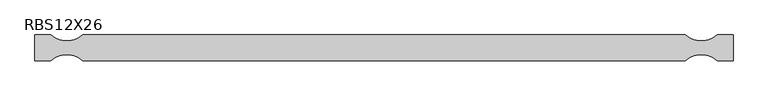
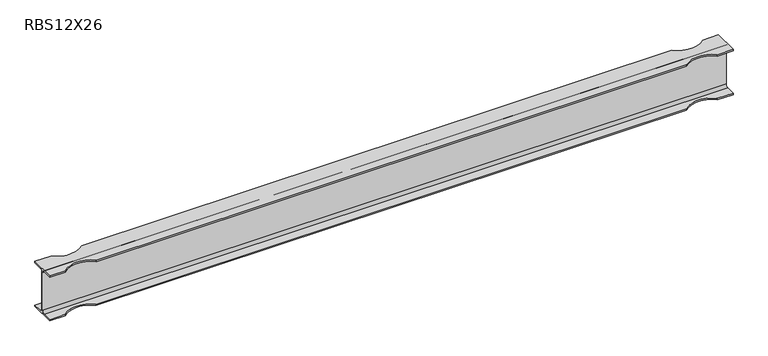
"""IFC4 building model written with IfcOpenShell, lengths in millimetres: beam geometry, RBS12X26."""

from ifc_helpers import new_model, si_unit, frame, origin, place, context, project, spatial, polyline, circle_curve, source, transform, mapped, element, save
from ifc_brep_helpers import plane_surface, revolved_surface, advanced_brep


def rbs12x26_84fb3f79(model_context):
    return source(origin(), model_context, "Body", "AdvancedBrep", [
        advanced_brep(
        [(2324.1, 82.4011719, -145.5539063), (2324.1, 20.2902344, -145.5539063), (2324.1, 2.9269531, -128.190625), (2324.1, 2.9269531, 128.190625), (2324.1, 20.2902344, 145.5539062), (2324.1, 82.4011719, 145.5539062), (2324.1, 82.4011719, 155.178125), (2324.1, -82.4011719, 155.178125), (2324.1, -82.4011719, 145.5539062), (2324.1, -20.2902344, 145.5539062), (2324.1, -2.9269531, 128.190625), (2324.1, -2.9269531, -128.190625), (2324.1, -20.2902344, -145.5539063), (2324.1, -82.4011719, -145.5539063), (2324.1, -82.4011719, -155.178125), (2324.1, 82.4011719, -155.178125), (-2120.9, 82.4011719, -145.5539063), (-2120.9, 82.4011719, -155.178125), (-2120.9, -82.4011719, -155.178125), (-2120.9, -82.4011719, -145.5539063), (-2120.9, -20.2902344, -145.5539063), (-2120.9, -2.9269531, -128.190625), (-2120.9, -2.9269531, 128.190625), (-2120.9, -20.2902344, 145.5539062), (-2120.9, -82.4011719, 145.5539062), (-2120.9, -82.4011719, 155.178125), (-2120.9, 82.4011719, 155.178125), (-2120.9, 82.4011719, 145.5539062), (-2120.9, 20.2902344, 145.5539062), (-2120.9, 2.9269531, 128.190625), (-2120.9, 2.9269531, -128.190625), (-2120.9, 20.2902344, -145.5539063), (2222.5, 82.4011719, -145.5539063), (2019.3, 82.4011719, -145.5539063), (-1816.1, 82.4011719, -145.5539063), (-2019.3, 82.4011719, -145.5539063), (-2019.3, 82.4011719, 145.5539062), (-1816.1, 82.4011719, 145.5539062), (2019.3, 82.4011719, 145.5539062), (2222.5, 82.4011719, 145.5539062), (2222.5, 82.4011719, 155.178125), (-2019.3, 82.4011719, 155.178125), (-1816.1, 82.4011719, 155.178125), (2019.3, 82.4011719, 155.178125), (-2019.3, -82.4011719, 155.178125), (-1816.1, -82.4011719, 155.178125), (2019.3, -82.4011719, 155.178125), (2222.5, -82.4011719, 155.178125), (2222.5, -82.4011719, 145.5539062), (-2019.3, -82.4011719, 145.5539062), (-1816.1, -82.4011719, 145.5539062), (2019.3, -82.4011719, 145.5539062), (-2019.3, -82.4011719, -145.5539063), (-1816.1, -82.4011719, -145.5539063), (2019.3, -82.4011719, -145.5539063), (2222.5, -82.4011719, -145.5539063), (2222.5, -82.4011719, -155.178125), (-2019.3, -82.4011719, -155.178125), (-1816.1, -82.4011719, -155.178125), (2019.3, -82.4011719, -155.178125), (-2019.3, 82.4011719, -155.178125), (-1816.1, 82.4011719, -155.178125), (2019.3, 82.4011719, -155.178125), (2222.5, 82.4011719, -155.178125)],
        [
            (0, 1),
            (1, 2, circle_curve(frame((2324.1, 20.2902344, -128.190625), z_axis=(-1.0, 0.0, 0.0), x_axis=(0.0, -1.0, 0.0)), 17.3632812)),
            (2, 3),
            (3, 4, circle_curve(frame((2324.1, 20.2902344, 128.190625), z_axis=(-1.0, 0.0, 0.0), x_axis=(0.0, -1.0, 0.0)), 17.3632812)),
            (4, 5),
            (5, 6),
            (6, 7),
            (7, 8),
            (8, 9),
            (9, 10, circle_curve(frame((2324.1, -20.2902344, 128.190625), z_axis=(-1.0, 0.0, 0.0), x_axis=(0.0, -1.0, 0.0)), 17.3632812)),
            (10, 11),
            (11, 12, circle_curve(frame((2324.1, -20.2902344, -128.190625), z_axis=(-1.0, 0.0, 0.0), x_axis=(0.0, -1.0, 0.0)), 17.3632812)),
            (12, 13),
            (13, 14),
            (14, 15),
            (15, 0),
            (16, 17),
            (17, 18),
            (18, 19),
            (19, 20),
            (20, 21, circle_curve(frame((-2120.9, -20.2902344, -128.190625), z_axis=(1.0, 0.0, 0.0), x_axis=(0.0, -1.0, 0.0)), 17.3632812)),
            (21, 22),
            (22, 23, circle_curve(frame((-2120.9, -20.2902344, 128.190625), z_axis=(1.0, 0.0, 0.0), x_axis=(0.0, -1.0, 0.0)), 17.3632812)),
            (23, 24),
            (24, 25),
            (25, 26),
            (26, 27),
            (27, 28),
            (28, 29, circle_curve(frame((-2120.9, 20.2902344, 128.190625), z_axis=(1.0, 0.0, 0.0), x_axis=(0.0, -1.0, 0.0)), 17.3632812)),
            (29, 30),
            (30, 31, circle_curve(frame((-2120.9, 20.2902344, -128.190625), z_axis=(1.0, 0.0, 0.0), x_axis=(0.0, -1.0, 0.0)), 17.3632812)),
            (31, 16),
            (0, 32),
            (32, 33, circle_curve(frame((2120.9, 195.9934251, -145.5539063), z_axis=(0.0, 0.0, -1.0), x_axis=(0.0, 1.0, 0.0)), 152.4)),
            (33, 34),
            (34, 35, circle_curve(frame((-1917.7, 195.9934251, -145.5539063), z_axis=(0.0, 0.0, -1.0), x_axis=(0.0, 1.0, 0.0)), 152.4)),
            (35, 16),
            (31, 1),
            (30, 2),
            (29, 3),
            (28, 4),
            (27, 36),
            (36, 37, circle_curve(frame((-1917.7, 195.9934251, 145.5539062), z_axis=(0.0, 0.0, 1.0), x_axis=(0.0, 1.0, 0.0)), 152.4)),
            (37, 38),
            (38, 39, circle_curve(frame((2120.9, 195.9934251, 145.5539062), z_axis=(0.0, 0.0, 1.0), x_axis=(0.0, 1.0, 0.0)), 152.4)),
            (39, 5),
            (39, 40),
            (40, 6),
            (26, 41),
            (41, 36),
            (37, 42),
            (42, 43),
            (43, 38),
            (40, 43, circle_curve(frame((2120.9, 195.9934251, 155.178125), z_axis=(0.0, 0.0, -1.0), x_axis=(0.0, 1.0, 0.0)), 152.4)),
            (42, 41, circle_curve(frame((-1917.7, 195.9934251, 155.178125), z_axis=(0.0, 0.0, -1.0), x_axis=(0.0, 1.0, 0.0)), 152.4)),
            (25, 44),
            (44, 45, circle_curve(frame((-1917.7, -195.9934251, 155.178125), z_axis=(0.0, 0.0, -1.0), x_axis=(0.0, 1.0, 0.0)), 152.4)),
            (45, 46),
            (46, 47, circle_curve(frame((2120.9, -195.9934251, 155.178125), z_axis=(0.0, 0.0, -1.0), x_axis=(0.0, 1.0, 0.0)), 152.4)),
            (47, 7),
            (47, 48),
            (48, 8),
            (24, 49),
            (49, 44),
            (45, 50),
            (50, 51),
            (51, 46),
            (48, 51, circle_curve(frame((2120.9, -195.9934251, 145.5539062), z_axis=(0.0, 0.0, 1.0), x_axis=(0.0, 1.0, 0.0)), 152.4)),
            (50, 49, circle_curve(frame((-1917.7, -195.9934251, 145.5539062), z_axis=(0.0, 0.0, 1.0), x_axis=(0.0, 1.0, 0.0)), 152.4)),
            (23, 9),
            (22, 10),
            (21, 11),
            (20, 12),
            (19, 52),
            (52, 53, circle_curve(frame((-1917.7, -195.9934251, -145.5539063), z_axis=(0.0, 0.0, -1.0), x_axis=(0.0, 1.0, 0.0)), 152.4)),
            (53, 54),
            (54, 55, circle_curve(frame((2120.9, -195.9934251, -145.5539063), z_axis=(0.0, 0.0, -1.0), x_axis=(0.0, 1.0, 0.0)), 152.4)),
            (55, 13),
            (55, 56),
            (56, 14),
            (18, 57),
            (57, 52),
            (53, 58),
            (58, 59),
            (59, 54),
            (56, 59, circle_curve(frame((2120.9, -195.9934251, -155.178125), z_axis=(0.0, 0.0, 1.0), x_axis=(0.0, 1.0, 0.0)), 152.4)),
            (58, 57, circle_curve(frame((-1917.7, -195.9934251, -155.178125), z_axis=(0.0, 0.0, 1.0), x_axis=(0.0, 1.0, 0.0)), 152.4)),
            (17, 60),
            (60, 61, circle_curve(frame((-1917.7, 195.9934251, -155.178125), z_axis=(0.0, 0.0, 1.0), x_axis=(0.0, 1.0, 0.0)), 152.4)),
            (61, 62),
            (62, 63, circle_curve(frame((2120.9, 195.9934251, -155.178125), z_axis=(0.0, 0.0, 1.0), x_axis=(0.0, 1.0, 0.0)), 152.4)),
            (63, 15),
            (63, 32),
            (35, 60),
            (61, 34),
            (33, 62),
        ],
        [
            plane_surface(frame((2324.1, 0.0, 0.0), z_axis=(1.0, 0.0, 0.0), x_axis=(0.0, 0.0, 1.0))),
            plane_surface(frame((-2120.9, 0.0, 0.0), z_axis=(-1.0, 0.0, 0.0), x_axis=(0.0, 0.0, 1.0))),
            plane_surface(frame((2324.1, 82.4011719, -145.5539063), z_axis=(0.0, 0.0, 1.0), x_axis=(-1.0, 0.0, 0.0))),
            revolved_surface(polyline([(-2120.9, 2.9269532, -128.190625), (2324.1, 2.9269532, -128.190625)]), (2324.1, 20.2902344, -128.190625), (-1.0, 0.0, 0.0)),
            plane_surface(frame((2324.1, 2.9269531, -128.190625), z_axis=(0.0, 1.0, 0.0), x_axis=(-1.0, 0.0, 0.0))),
            revolved_surface(polyline([(-2120.9, 2.9269532, 128.190625), (2324.1, 2.9269532, 128.190625)]), (2324.1, 20.2902344, 128.190625), (-1.0, 0.0, 0.0)),
            plane_surface(frame((2324.1, 20.2902344, 145.5539062), z_axis=(0.0, 0.0, -1.0), x_axis=(-1.0, 0.0, 0.0))),
            plane_surface(frame((2324.1, 82.4011719, 145.5539062), z_axis=(0.0, 1.0, 0.0), x_axis=(-1.0, 0.0, 0.0))),
            plane_surface(frame((2324.1, 82.4011719, 155.178125), z_axis=(0.0, 0.0, 1.0), x_axis=(-1.0, 0.0, 0.0))),
            plane_surface(frame((2324.1, -82.4011719, 155.178125), z_axis=(0.0, -1.0, 0.0), x_axis=(-1.0, 0.0, 0.0))),
            plane_surface(frame((2324.1, -82.4011719, 145.5539062), z_axis=(0.0, 0.0, -1.0), x_axis=(-1.0, 0.0, 0.0))),
            revolved_surface(polyline([(-2120.9, -37.6535156, 128.190625), (2324.1, -37.6535156, 128.190625)]), (2324.1, -20.2902344, 128.190625), (-1.0, 0.0, 0.0)),
            plane_surface(frame((2324.1, -2.9269531, 128.190625), z_axis=(0.0, -1.0, 0.0), x_axis=(-1.0, 0.0, 0.0))),
            revolved_surface(polyline([(-2120.9, -37.6535156, -128.190625), (2324.1, -37.6535156, -128.190625)]), (2324.1, -20.2902344, -128.190625), (-1.0, 0.0, 0.0)),
            plane_surface(frame((2324.1, -20.2902344, -145.5539063), z_axis=(0.0, 0.0, 1.0), x_axis=(-1.0, 0.0, 0.0))),
            plane_surface(frame((2324.1, -82.4011719, -145.5539063), z_axis=(0.0, -1.0, 0.0), x_axis=(-1.0, 0.0, 0.0))),
            plane_surface(frame((2324.1, -82.4011719, -155.178125), z_axis=(0.0, 0.0, -1.0), x_axis=(-1.0, 0.0, 0.0))),
            plane_surface(frame((2324.1, 82.4011719, -155.178125), z_axis=(0.0, 1.0, 0.0), x_axis=(-1.0, 0.0, 0.0))),
            revolved_surface(polyline([(-1917.7, -43.59342509999999, 155.178125), (-1917.7, -43.59342509999999, 145.5539062)]), (-1917.7, -195.9934251, -155.178125), (0.0, 0.0, 1.0)),
            revolved_surface(polyline([(-1917.7, -43.59342509999999, -145.5539063), (-1917.7, -43.59342509999999, -155.178125)]), (-1917.7, -195.9934251, -155.178125), (0.0, 0.0, 1.0)),
            revolved_surface(polyline([(-1917.7, 348.3934251, -145.5539063), (-1917.7, 348.3934251, -155.178125)]), (-1917.7, 195.9934251, -155.178125), (0.0, 0.0, 1.0)),
            revolved_surface(polyline([(-1917.7, 348.3934251, 155.178125), (-1917.7, 348.3934251, 145.5539062)]), (-1917.7, 195.9934251, -155.178125), (0.0, 0.0, 1.0)),
            revolved_surface(polyline([(2120.9, -43.59342509999999, 155.178125), (2120.9, -43.59342509999999, 145.5539062)]), (2120.9, -195.9934251, -155.178125), (0.0, 0.0, 1.0)),
            revolved_surface(polyline([(2120.9, -43.59342509999999, -145.5539063), (2120.9, -43.59342509999999, -155.178125)]), (2120.9, -195.9934251, -155.178125), (0.0, 0.0, 1.0)),
            revolved_surface(polyline([(2120.9, 348.3934251, -145.5539063), (2120.9, 348.3934251, -155.178125)]), (2120.9, 195.9934251, -155.178125), (0.0, 0.0, 1.0)),
            revolved_surface(polyline([(2120.9, 348.3934251, 155.178125), (2120.9, 348.3934251, 145.5539062)]), (2120.9, 195.9934251, -155.178125), (0.0, 0.0, 1.0)),
        ],
        [
            (0, [[1, 2, 3, 4, 5, 6, 7, 8, 9, 10, 11, 12, 13, 14, 15, 16]]),
            (1, [[17, 18, 19, 20, 21, 22, 23, 24, 25, 26, 27, 28, 29, 30, 31, 32]]),
            (2, [[-1, 33, 34, 35, 36, 37, -32, 38]]),
            (3, [[-2, -38, -31, 39]]),
            (4, [[-3, -39, -30, 40]]),
            (5, [[-4, -40, -29, 41]]),
            (6, [[-5, -41, -28, 42, 43, 44, 45, 46]]),
            (7, [[-6, -46, 47, 48]]),
            (7, [[-27, 49, 50, -42]]),
            (7, [[51, 52, 53, -44]]),
            (8, [[-7, -48, 54, -52, 55, -49, -26, 56, 57, 58, 59, 60]]),
            (9, [[-8, -60, 61, 62]]),
            (9, [[-25, 63, 64, -56]]),
            (9, [[65, 66, 67, -58]]),
            (10, [[-9, -62, 68, -66, 69, -63, -24, 70]]),
            (11, [[-10, -70, -23, 71]]),
            (12, [[-11, -71, -22, 72]]),
            (13, [[-12, -72, -21, 73]]),
            (14, [[-13, -73, -20, 74, 75, 76, 77, 78]]),
            (15, [[-14, -78, 79, 80]]),
            (15, [[-19, 81, 82, -74]]),
            (15, [[83, 84, 85, -76]]),
            (16, [[-15, -80, 86, -84, 87, -81, -18, 88, 89, 90, 91, 92]]),
            (17, [[-16, -92, 93, -33]]),
            (17, [[-17, -37, 94, -88]]),
            (17, [[95, -35, 96, -90]]),
            (18, [[-57, -64, -69, -65]]),
            (19, [[-75, -82, -87, -83]]),
            (20, [[-36, -95, -89, -94]]),
            (21, [[-43, -50, -55, -51]]),
            (22, [[-59, -67, -68, -61]]),
            (23, [[-77, -85, -86, -79]]),
            (24, [[-34, -93, -91, -96]]),
            (25, [[-45, -53, -54, -47]]),
        ],
    ),
    ])


if __name__ == "__main__":
    model = new_model("IFC4")
    model_context = context("Model", 3, world=origin())
    ifc_project = project(units=[si_unit("LENGTHUNIT", "METRE", prefix="MILLI")], contexts=[model_context])
    site = spatial("IfcSite", under=ifc_project)
    building = spatial("IfcBuilding", under=site)
    placement = place(None, origin())
    rbs12x26_shape = rbs12x26_84fb3f79(model_context)
    element("IfcBeam", 1, ObjectType="RBS12X26", at=placement, inside=building, context=model_context, shape_type="MappedRepresentation", body=[
        mapped(rbs12x26_shape, transform((0.0, 0.0, 0.0), x_axis=(1.0, 0.0, 0.0), y_axis=(0.0, 1.0, 0.0), z_axis=(0.0, 0.0, 1.0))),
    ])
    save(model, "model.ifc")
